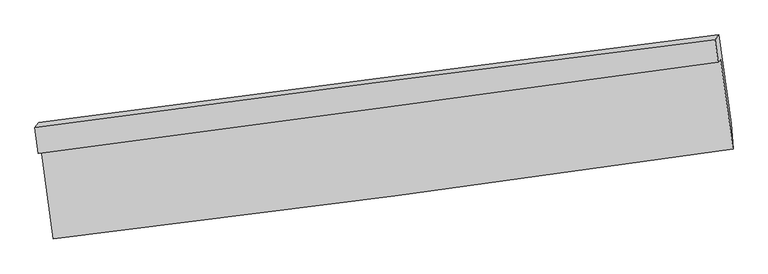
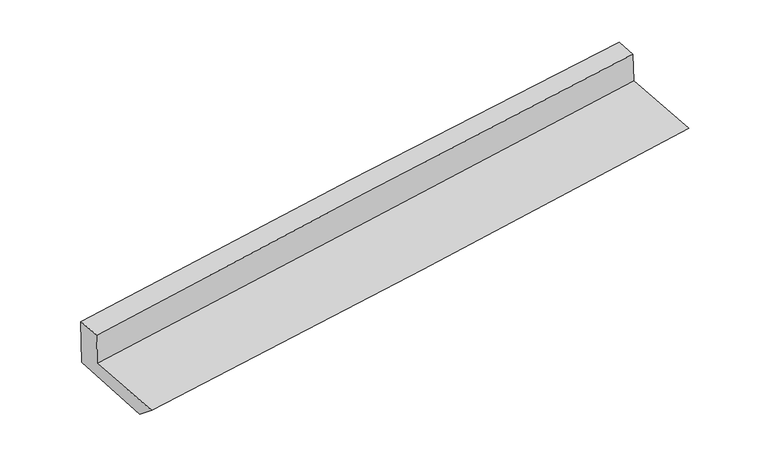
"""IFC4 building model written with IfcOpenShell, lengths in millimetres: proxy geometry."""

from ifc_helpers import new_model, si_unit, frame, origin, place, context, project, spatial, source, transform, mapped, element, save
from ifc_brep_helpers import plane_surface, spline_curve, spline_surface, advanced_brep


def generic_models_bcc332f9(model_context):
    return source(origin(), model_context, "Body", "AdvancedBrep", [
        advanced_brep(
        [(-2377.268767, -1837.7093091, 1740.3078259), (-2291.8528524, -2454.2069535, 1683.2342738), (2413.2576062, -1831.0021632, 2070.8927427), (2327.1093445, -1209.1550926, 2129.4122588), (-2395.3441465, -1860.3329164, 2003.961639), (2309.955169, -1229.6233255, 2377.9832461), (-2420.0591112, -1680.2720916, 2017.7179089), (2288.2807875, -1071.5589049, 2390.0605025), (-2394.2964003, -1648.0268236, 1641.9339877), (2315.080419, -1038.749189, 2000.3558659), (-2301.9477597, -2303.4310001, 1561.9354686), (2400.3532988, -1653.4571349, 1941.0840732)],
        [
            (0, 1),
            (1, 2, spline_curve(3, [(-2291.8528524, -2454.2069535, 1683.2342738), (-1503.177264495, -2358.610491386, 1747.459141191), (-715.104196181, -2258.642342235, 1812.013377684), (853.255928127, -2050.83464828, 1941.238349645), (1633.553012696, -1943.067867415, 2005.9036026), (2413.2576062, -1831.0021632, 2070.8927427)], [4, 2, 4], [0.0, 7.844592197484285, 15.623626318359431])),
            (2, 3),
            (3, 0, spline_curve(3, [(2327.1093445, -1209.1550926, 2129.4122588), (1546.437172173, -1314.064087758, 2064.612852713), (765.714786157, -1418.679551262, 1999.923376649), (-802.410400995, -1628.202591794, 1870.220038414), (-1589.814052328, -1733.105200383, 1805.208036849), (-2377.268767, -1837.7093091, 1740.3078259)], [4, 2, 4], [0.0, 7.779034120875146, 15.623626318359431])),
            (4, 0),
            (3, 5),
            (5, 4, spline_curve(3, [(2309.955169, -1229.6233255, 2377.9832461), (1528.607655699, -1335.878079583, 2323.856358471), (747.470058308, -1441.347356162, 2265.771909102), (-820.966599704, -1651.597181545, 2141.165025925), (-1608.262107678, -1756.364435169, 2074.575606281), (-2395.3441465, -1860.3329164, 2003.961639)], [4, 2, 4], [0.0, 7.779083537611929, 15.62372556829424])),
            (6, 4),
            (5, 7),
            (7, 6, spline_curve(3, [(2288.2807875, -1071.5589049, 2390.0605025), (1505.872931143, -1170.109018699, 2336.522040307), (723.95167754, -1269.892127992, 2278.87178443), (-845.503191637, -1472.77565369, 2154.827182979), (-1633.028570792, -1575.896940043, 2088.363241092), (-2420.0591112, -1680.2720916, 2017.7179089)], [4, 2, 4], [0.0, 7.779162771989845, 15.623884704800506])),
            (8, 6),
            (7, 9),
            (9, 8, spline_curve(3, [(2315.080419, -1038.749189, 2000.3558659), (1532.813136519, -1136.757175668, 1944.16570139), (750.876778311, -1236.314727387, 1886.334375482), (-818.921095887, -1439.381044303, 1766.888194493), (-1606.777011001, -1542.916037455, 1705.245561117), (-2394.2964003, -1648.0268236, 1641.9339877)], [4, 2, 4], [0.0, 7.779163873099046, 15.623886916298543])),
            (10, 8),
            (9, 11),
            (11, 10, spline_curve(3, [(2400.3532988, -1653.4571349, 1941.0840732), (1619.787949623, -1758.993647137, 1876.104526612), (839.290837744, -1865.694208004, 1812.147306631), (-728.144003431, -2082.332460291, 1685.747134602), (-1515.080577535, -2192.28985429, 1623.32148609), (-2301.9477597, -2303.4310001, 1561.9354686)], [4, 2, 4], [0.0, 7.779037238404693, 15.623632579691613])),
            (1, 10),
            (11, 2),
        ],
        [
            spline_surface(3, 3, [[(-2377.268767, -1837.7093091, 1740.3078259), (-1589.814052243, -1733.105200384, 1805.208036773), (-802.410401036, -1628.202591779, 1870.220038357), (765.714786198, -1418.679551277, 1999.923376706), (1546.43717218, -1314.064087701, 2064.612852697), (2327.1093445, -1209.1550926, 2129.4122588)], [(-2348.796795463, -2043.208523901, 1721.283308553), (-1560.935123021, -1941.60696409, 1785.95840496), (-773.30833273, -1838.349175286, 1850.817818158), (794.895166863, -1629.397916931, 1980.361700983), (1575.475785664, -1523.732014244, 2045.043102687), (2355.825431746, -1416.43744947, 2109.905753432)], [(-2320.324823937, -2248.707738699, 1702.258791147), (-1532.056193808, -2150.108727792, 1766.708773087), (-744.206264488, -2048.495758781, 1831.415597975), (824.075547463, -1840.116282573, 1960.800025277), (1604.514399111, -1733.399940776, 2025.473352681), (2384.541518954, -1623.71980633, 2090.399248068)], [(-2291.8528524, -2454.2069535, 1683.2342738), (-1503.177264586, -2358.610491498, 1747.459141273), (-715.104196182, -2258.642342288, 1812.013377776), (853.255928128, -2050.834648227, 1941.238349555), (1633.553012595, -1943.067867319, 2005.903602671), (2413.2576062, -1831.0021632, 2070.8927427)]], [4, 4], [4, 2, 4], [0.0, 2.099700320662671], [0.0, 7.844592197484285, 15.623626318359431]),
            spline_surface(3, 3, [[(-2395.3441465, -1860.3329164, 2003.961639), (-1608.262107592, -1756.364435134, 2074.575606342), (-820.966599801, -1651.597181534, 2141.165026022), (747.470058404, -1441.347356173, 2265.771909005), (1528.60765581, -1335.878079476, 2323.856358356), (2309.955169, -1229.6233255, 2377.9832461)], [(-2389.319020011, -1852.791713975, 1916.077034632), (-1602.112755819, -1748.611356892, 1984.786416484), (-814.781200215, -1643.798984926, 2050.85003013), (753.551634333, -1433.791421185, 2177.155731568), (1534.550827927, -1328.6067489, 2237.441856496), (2315.673227493, -1222.800581216, 2295.126250359)], [(-2383.293893489, -1845.250511525, 1828.192430268), (-1595.963404015, -1740.858278626, 1894.997226631), (-808.595800622, -1636.000788387, 1960.53503425), (759.633210269, -1426.235486265, 2088.539554143), (1540.494000063, -1321.335418277, 2151.027354558), (2321.391286007, -1215.977836884, 2212.269254541)], [(-2377.268767, -1837.7093091, 1740.3078259), (-1589.814052243, -1733.105200384, 1805.208036773), (-802.410401036, -1628.202591779, 1870.220038357), (765.714786198, -1418.679551277, 1999.923376706), (1546.43717218, -1314.064087701, 2064.612852697), (2327.1093445, -1209.1550926, 2129.4122588)]], [4, 4], [4, 2, 4], [0.0, 0.8859323859463405], [0.0, 7.844642030682311, 15.62372556829424]),
            spline_surface(3, 3, [[(-2420.0591112, -1680.2720916, 2017.7179089), (-1633.028570887, -1575.896940113, 2088.3632412), (-845.50319164, -1472.775653735, 2154.827183072), (723.951677543, -1269.892127948, 2278.871784338), (1505.872931193, -1170.109018785, 2336.522040335), (2288.2807875, -1071.5589049, 2390.0605025)], [(-2411.820789623, -1740.292366527, 2013.132485592), (-1624.773083112, -1636.052771781, 2083.767362906), (-837.324327723, -1532.382829673, 2150.27313071), (731.791137801, -1327.043870694, 2274.505159215), (1513.451172725, -1225.365372354, 2332.300146336), (2295.505581327, -1124.247045106, 2386.034750361)], [(-2403.582468077, -1800.312641473, 2008.547062308), (-1616.517595366, -1696.208603467, 2079.171484636), (-829.145463718, -1591.990005596, 2145.719078384), (739.630598146, -1384.195613427, 2270.138534128), (1521.029414278, -1280.621725907, 2328.078252355), (2302.730375173, -1176.935185294, 2382.008998239)], [(-2395.3441465, -1860.3329164, 2003.961639), (-1608.262107592, -1756.364435134, 2074.575606342), (-820.966599801, -1651.597181534, 2141.165026022), (747.470058404, -1441.347356173, 2265.771909005), (1528.60765581, -1335.878079476, 2323.856358356), (2309.955169, -1229.6233255, 2377.9832461)]], [4, 4], [4, 2, 4], [0.0, 0.5817446394756443], [0.0, 7.844721932810661, 15.623884704800506]),
            spline_surface(3, 3, [[(-2394.2964003, -1648.0268236, 1641.9339877), (-1606.777010942, -1542.916037428, 1705.245561023), (-818.921095954, -1439.381044246, 1766.88819451), (750.876778378, -1236.314727444, 1886.334375466), (1532.813136535, -1136.757175785, 1944.165701371), (2315.080419, -1038.749189, 2000.3558659)], [(-2402.883970611, -1658.775246255, 1767.195294766), (-1615.527530935, -1553.909671645, 1832.951454415), (-827.78179449, -1450.512580745, 1896.201190704), (741.901744792, -1247.507194281, 2017.18017843), (1523.833068101, -1147.874456774, 2074.951147687), (2306.147208513, -1049.685760955, 2130.257411428)], [(-2411.471540889, -1669.523668945, 1892.456601834), (-1624.278050894, -1564.903305897, 1960.657347808), (-836.642493104, -1461.644117235, 2025.514186877), (732.926711129, -1258.69966111, 2148.025981373), (1514.852999628, -1158.991737797, 2205.736594019), (2297.213997987, -1060.622332945, 2260.158956972)], [(-2420.0591112, -1680.2720916, 2017.7179089), (-1633.028570887, -1575.896940113, 2088.3632412), (-845.50319164, -1472.775653735, 2154.827183072), (723.951677543, -1269.892127948, 2278.871784338), (1505.872931193, -1170.109018785, 2336.522040335), (2288.2807875, -1071.5589049, 2390.0605025)]], [4, 4], [4, 2, 4], [0.0, 1.2879443684664298], [0.0, 7.844723043199497, 15.623886916298543]),
            spline_surface(3, 3, [[(-2301.9477597, -2303.4310001, 1561.9354686), (-1515.080577592, -2192.289854388, 1623.321486188), (-728.144003421, -2082.332460288, 1685.747134505), (839.290837735, -1865.694208007, 1812.147306726), (1619.787949724, -1758.993647063, 1876.10452656), (2400.3532988, -1653.4571349, 1941.0840732)], [(-2332.730639894, -2084.962941274, 1588.601641639), (-1545.646055369, -1975.831915409, 1650.629511138), (-758.403034269, -1868.015321606, 1712.79415451), (809.819484613, -1655.901047819, 1836.876329643), (1590.796345307, -1551.581489977, 1898.791584815), (2371.929005513, -1448.554486273, 1960.841337418)], [(-2363.513520106, -1866.494882426, 1615.267814661), (-1576.211533165, -1759.373976407, 1677.937536073), (-788.662065107, -1653.698182927, 1739.841174505), (780.3481315, -1446.107887632, 1861.605352549), (1561.804740952, -1344.169332872, 1921.478643116), (2343.504712287, -1243.651837627, 1980.598601682)], [(-2394.2964003, -1648.0268236, 1641.9339877), (-1606.777010942, -1542.916037428, 1705.245561023), (-818.921095954, -1439.381044246, 1766.88819451), (750.876778378, -1236.314727444, 1886.334375466), (1532.813136535, -1136.757175785, 1944.165701371), (2315.080419, -1038.749189, 2000.3558659)]], [4, 4], [4, 2, 4], [0.0, 2.123299843809187], [0.0, 7.84459534128692, 15.623632579691613]),
            spline_surface(3, 3, [[(-2291.8528524, -2454.2069535, 1683.2342738), (-1503.177264586, -2358.610491498, 1747.459141273), (-715.104196182, -2258.642342288, 1812.013377776), (853.255928128, -2050.834648227, 1941.238349555), (1633.553012595, -1943.067867319, 2005.903602671), (2413.2576062, -1831.0021632, 2070.8927427)], [(-2295.217821497, -2403.948302367, 1642.801338718), (-1507.145035585, -2303.170279129, 1706.079922896), (-719.450798609, -2199.872381634, 1769.924630029), (848.600897983, -1989.121168166, 1898.208001956), (1628.964658314, -1881.70979388, 1962.63724397), (2408.956170409, -1771.82048708, 2027.623186202)], [(-2298.582790603, -2353.689651233, 1602.368403682), (-1511.112806593, -2247.730066757, 1664.700704565), (-723.797400995, -2141.102420943, 1727.835882252), (843.945867879, -1927.407688068, 1855.177654325), (1624.376304006, -1820.351720502, 1919.370885262), (2404.654734591, -1712.63881102, 1984.353629698)], [(-2301.9477597, -2303.4310001, 1561.9354686), (-1515.080577592, -2192.289854388, 1623.321486188), (-728.144003421, -2082.332460288, 1685.747134505), (839.290837735, -1865.694208007, 1812.147306726), (1619.787949724, -1758.993647063, 1876.10452656), (2400.3532988, -1653.4571349, 1941.0840732)]], [4, 4], [4, 2, 4], [0.0, 0.7272009347282509], [0.0, 7.8445580268478246, 15.62355826265409]),
            plane_surface(frame((2342.3394375, -1338.9243017, 2151.6314482), z_axis=(0.9884357293500587, 0.12951117564775927, 0.07887752738614877), x_axis=(-0.06836631748033183, -0.08369814541991015, 0.9941431823874497))),
            plane_surface(frame((-2363.4615062, -1963.9965157, 1774.8485173), z_axis=(-0.9884177314848567, -0.12964236369559298, -0.07888755048643245), x_axis=(-0.13666588070061017, 0.9863992431301774, 0.0913179621133758))),
        ],
        [
            (0, [[1, 2, 3, 4]]),
            (1, [[5, -4, 6, 7]]),
            (2, [[8, -7, 9, 10]]),
            (3, [[11, -10, 12, 13]]),
            (4, [[14, -13, 15, 16]]),
            (5, [[17, -16, 18, -2]]),
            (6, [[-12, -9, -6, -3, -18, -15]]),
            (7, [[-1, -5, -8, -11, -14, -17]]),
        ],
    ),
    ])


if __name__ == "__main__":
    model = new_model("IFC4")
    model_context = context("Model", 3, world=origin())
    ifc_project = project(units=[si_unit("LENGTHUNIT", "METRE", prefix="MILLI")], contexts=[model_context])
    site = spatial("IfcSite", under=ifc_project)
    building = spatial("IfcBuilding", under=site)
    placement = place(None, origin())
    generic_models_shape = generic_models_bcc332f9(model_context)
    element("IfcBuildingElementProxy", 1, Name="Generic Models", at=placement, inside=building, context=model_context, shape_type="MappedRepresentation", body=[
        mapped(generic_models_shape, transform((0.0, 0.0, 0.0), x_axis=(1.0, 0.0, 0.0), y_axis=(0.0, 1.0, 0.0), z_axis=(0.0, 0.0, 1.0))),
    ])
    save(model, "model.ifc")
